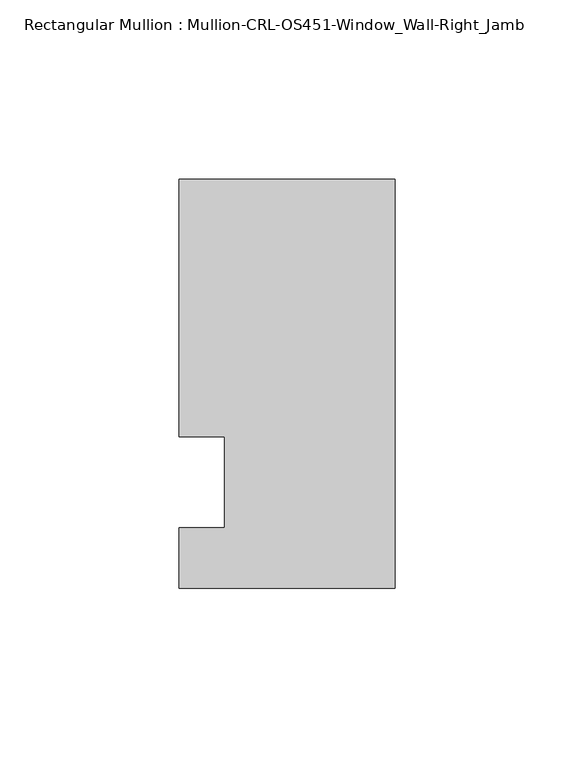
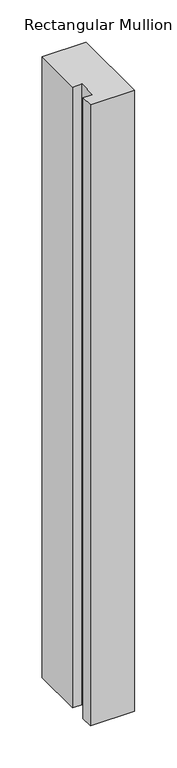
"""IFC4 building model written with IfcOpenShell, lengths in millimetres: member geometry, Rectangular Mullion : Mullion-CRL-OS451-Window_Wall-Right_Jamb."""

from ifc_helpers import new_model, si_unit, frame, origin, place, context, project, spatial, polyline, outline, extrude, source, transform, mapped, element, save


def rectangular_mullion_mullion_crl_os451_window_wall_right_jamb_baf01e14(model_context):
    return source(origin(), model_context, "Body", "SweptSolid", [
        extrude(outline(polyline([(0.0, -29.6531114), (-60.325, -29.6531114), (-60.325, -12.7), (-47.5139203, -12.7), (-47.5139203, 12.7), (-60.325, 12.7), (-60.325, 84.6587463), (0.0, 84.6587463), (0.0, -29.6531114)])), frame((0.0, 0.0, -896.6199516), z_axis=(0.0, 0.0, 1.0), x_axis=(1.0, 0.0, 0.0)), (0.0, 0.0, 1.0), 896.6199516),
    ])


if __name__ == "__main__":
    model = new_model("IFC4")
    model_context = context("Model", 3, world=origin())
    ifc_project = project(units=[si_unit("LENGTHUNIT", "METRE", prefix="MILLI")], contexts=[model_context])
    site = spatial("IfcSite", under=ifc_project)
    building = spatial("IfcBuilding", under=site)
    placement = place(None, origin())
    rectangular_mullion_mullion_crl_os451_window_wall_right_jamb_shape = rectangular_mullion_mullion_crl_os451_window_wall_right_jamb_baf01e14(model_context)
    element("IfcMember", 1, ObjectType="Rectangular Mullion : Mullion-CRL-OS451-Window_Wall-Right_Jamb", at=placement, inside=building, context=model_context, shape_type="MappedRepresentation", body=[
        mapped(rectangular_mullion_mullion_crl_os451_window_wall_right_jamb_shape, transform((0.0, 0.0, 0.0), x_axis=(1.0, 0.0, 0.0), y_axis=(0.0, 1.0, 0.0), z_axis=(0.0, 0.0, 1.0))),
    ])
    save(model, "model.ifc")
